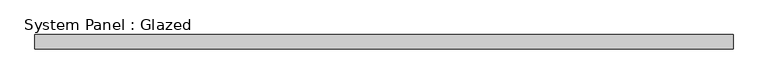
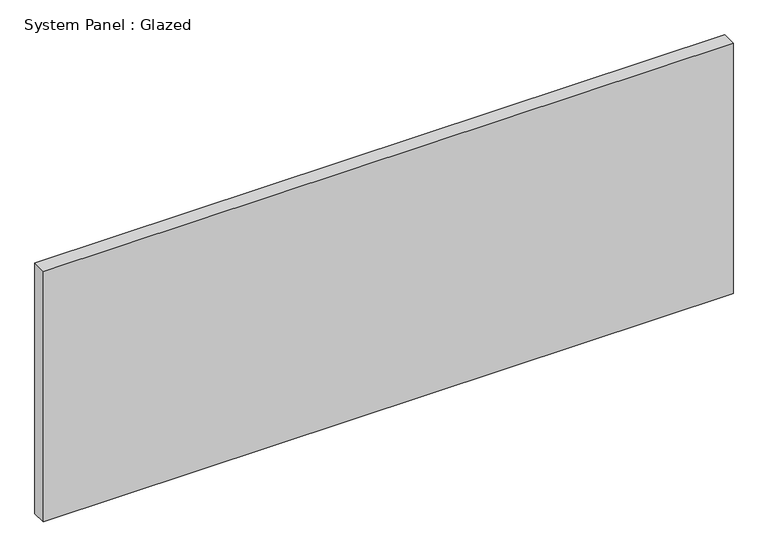
"""IFC4 building model written with IfcOpenShell, lengths in millimetres: plate geometry, System Panel : Glazed."""

from ifc_helpers import new_model, si_unit, origin, origin_with_axes, place, context, project, spatial, polyline, outline, extrude, source, transform, mapped, element, save


def system_panel_glazed_0a3d6144(model_context):
    return source(origin(), model_context, "Body", "SweptSolid", [
        extrude(outline(polyline([(611.4840124, -12.7), (-611.4840124, -12.7), (-611.4840124, 12.7), (611.4840124, 12.7), (611.4840124, -12.7)])), origin_with_axes(), (0.0, 0.0, 1.0), 469.9),
    ])


if __name__ == "__main__":
    model = new_model("IFC4")
    model_context = context("Model", 3, world=origin())
    ifc_project = project(units=[si_unit("LENGTHUNIT", "METRE", prefix="MILLI")], contexts=[model_context])
    site = spatial("IfcSite", under=ifc_project)
    building = spatial("IfcBuilding", under=site)
    placement = place(None, origin())
    system_panel_glazed_shape = system_panel_glazed_0a3d6144(model_context)
    element("IfcPlate", 1, ObjectType="System Panel : Glazed", at=placement, inside=building, context=model_context, shape_type="MappedRepresentation", body=[
        mapped(system_panel_glazed_shape, transform((0.0, 0.0, 0.0), x_axis=(1.0, 0.0, 0.0), y_axis=(0.0, 1.0, 0.0), z_axis=(0.0, 0.0, 1.0))),
    ])
    save(model, "model.ifc")
